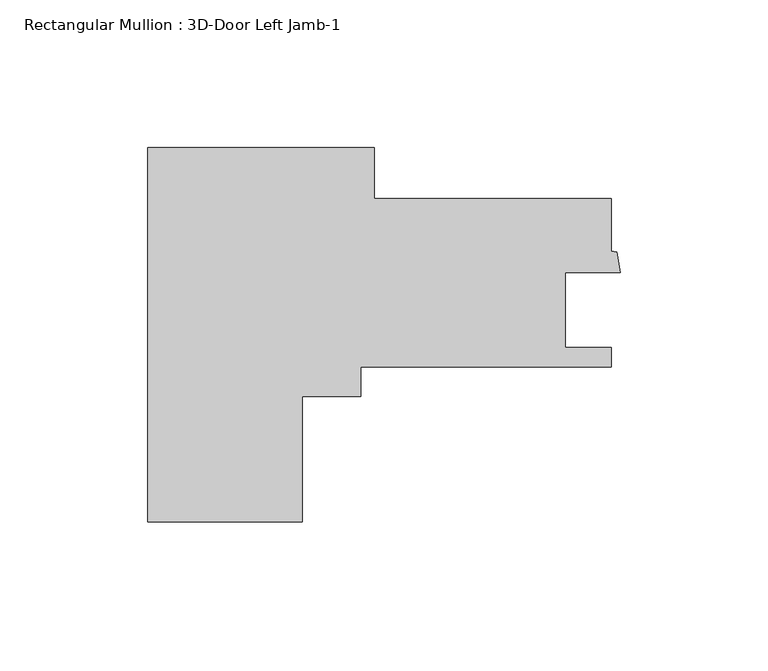
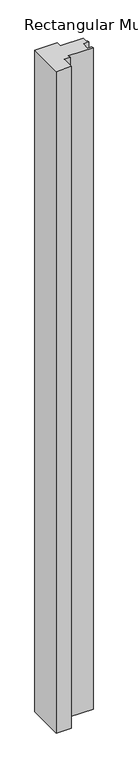
"""IFC4 building model written with IfcOpenShell, lengths in millimetres: member geometry, Rectangular Mullion : 3D-Door Left Jamb-1."""

from ifc_helpers import new_model, si_unit, frame, origin, place, context, project, spatial, polyline, outline, extrude, source, transform, mapped, element, save


def rectangular_mullion_3d_door_left_jamb_1_55a7af19(model_context):
    return source(origin(), model_context, "Body", "SweptSolid", [
        extrude(outline(polyline([(76.7953125, 53.975), (76.7953125, 36.6652303), (157.1521526, 36.6652303), (157.1521526, 18.7500451), (158.9936813, 18.4253339), (160.2738393, 11.4795064), (141.5311526, 11.4795064), (141.5311526, -13.9188699), (157.1521525, -13.9188699), (157.1521525, -20.4846668), (72.2248713, -20.4846668), (72.2248713, -30.5562), (52.3874713, -30.5562), (52.3874713, -73.025), (0.0, -73.025), (0.0, 53.975), (76.7953125, 53.975)])), frame((0.0, 0.0, -2406.5592218), z_axis=(0.0, 0.0, 1.0), x_axis=(1.0, 0.0, 0.0)), (0.0, 0.0, 1.0), 2406.5592218),
    ])


if __name__ == "__main__":
    model = new_model("IFC4")
    model_context = context("Model", 3, world=origin())
    ifc_project = project(units=[si_unit("LENGTHUNIT", "METRE", prefix="MILLI")], contexts=[model_context])
    site = spatial("IfcSite", under=ifc_project)
    building = spatial("IfcBuilding", under=site)
    placement = place(None, origin())
    rectangular_mullion_3d_door_left_jamb_1_shape = rectangular_mullion_3d_door_left_jamb_1_55a7af19(model_context)
    element("IfcMember", 1, ObjectType="Rectangular Mullion : 3D-Door Left Jamb-1", at=placement, inside=building, context=model_context, shape_type="MappedRepresentation", body=[
        mapped(rectangular_mullion_3d_door_left_jamb_1_shape, transform((0.0, 0.0, 0.0), x_axis=(1.0, 0.0, 0.0), y_axis=(0.0, 1.0, 0.0), z_axis=(0.0, 0.0, 1.0))),
    ])
    save(model, "model.ifc")
